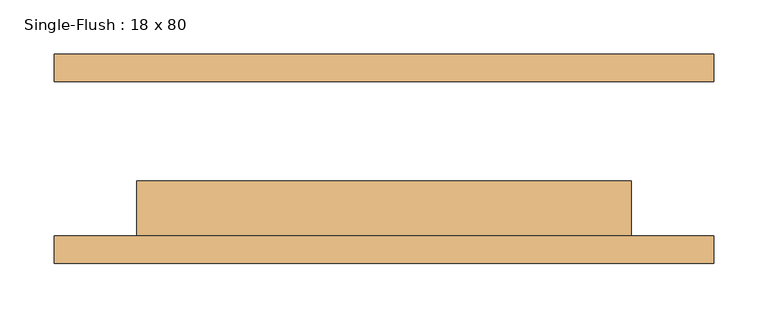
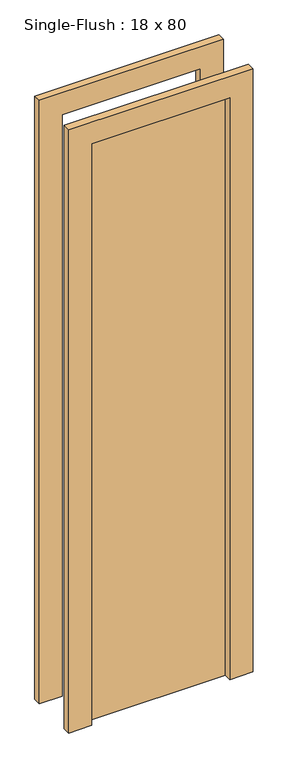
"""IFC4 building model written with IfcOpenShell, lengths in millimetres: door geometry, Single-Flush : 18 x 80."""

from ifc_helpers import new_model, si_unit, frame, origin, origin_with_axes, place, context, project, spatial, polyline, outline, extrude, source, transform, mapped, element, save


def single_flush_18_x_80_9403dcbd(model_context):
    return source(origin(), model_context, "Body", "SweptSolid", [
        extrude(outline(polyline([(2108.2, -304.8), (0.0, -304.8), (0.0, -228.6), (2032.0, -228.6), (2032.0, 228.6), (0.0, 228.6), (0.0, 304.8), (2108.2, 304.8), (2108.2, -304.8)])), frame((0.0, -96.8375, 0.0), z_axis=(0.0, 1.0, 0.0), x_axis=(0.0, 0.0, 1.0)), (0.0, 0.0, 1.0), 25.4),
        extrude(outline(polyline([(2108.2, 304.8), (2108.2, -304.8), (0.0, -304.8), (0.0, -228.6), (2032.0, -228.6), (2032.0, 228.6), (0.0, 228.6), (0.0, 304.8), (2108.2, 304.8)])), frame((0.0, 71.4375, 0.0), z_axis=(0.0, 1.0, 0.0), x_axis=(0.0, 0.0, 1.0)), (0.0, 0.0, 1.0), 25.4),
        extrude(outline(polyline([(228.6, -20.6375), (228.6, -71.4375), (-228.6, -71.4375), (-228.6, -20.6375), (228.6, -20.6375)])), origin_with_axes(), (0.0, 0.0, 1.0), 2032.0),
    ])


if __name__ == "__main__":
    model = new_model("IFC4")
    model_context = context("Model", 3, world=origin())
    ifc_project = project(units=[si_unit("LENGTHUNIT", "METRE", prefix="MILLI")], contexts=[model_context])
    site = spatial("IfcSite", under=ifc_project)
    building = spatial("IfcBuilding", under=site)
    placement = place(None, origin())
    single_flush_18_x_80_shape = single_flush_18_x_80_9403dcbd(model_context)
    element("IfcDoor", 1, ObjectType="Single-Flush : 18 x 80", at=placement, inside=building, context=model_context, shape_type="MappedRepresentation", body=[
        mapped(single_flush_18_x_80_shape, transform((0.0, 0.0, 0.0), x_axis=(1.0, 0.0, 0.0), y_axis=(0.0, 1.0, 0.0), z_axis=(0.0, 0.0, 1.0))),
    ])
    save(model, "model.ifc")
